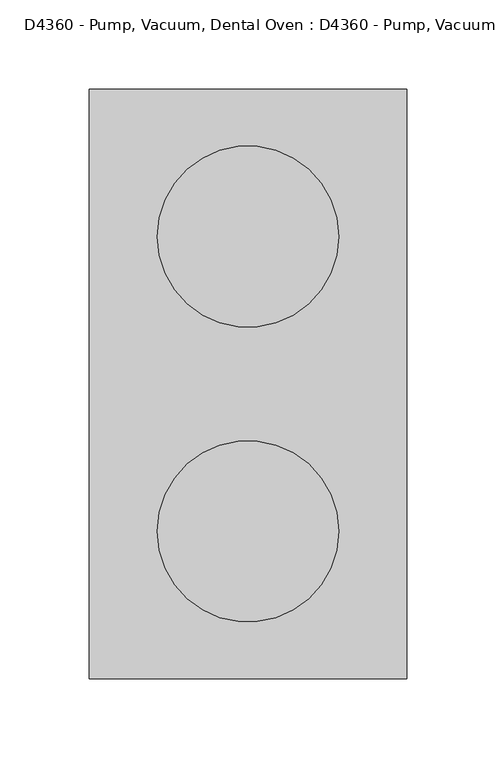
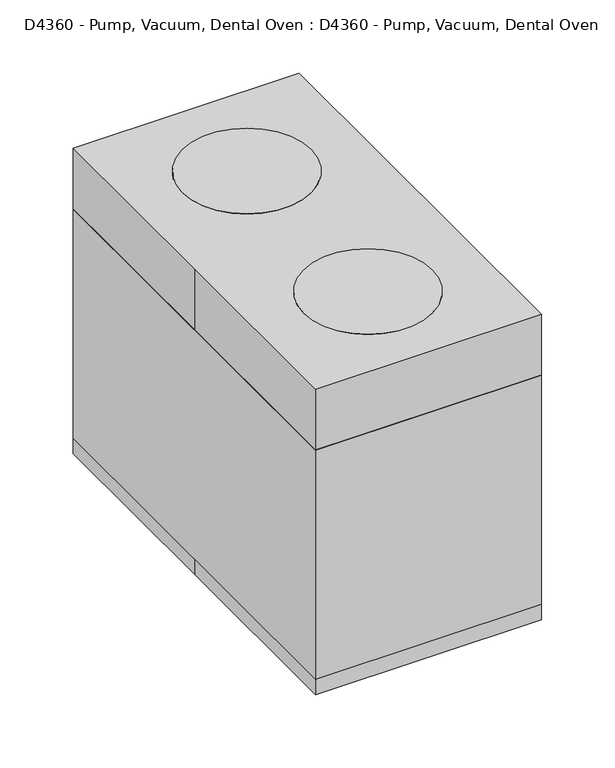
"""IFC4 building model written with IfcOpenShell, lengths in millimetres: proxy geometry, D4360 - Pump, Vacuum, Dental Oven : D4360 - Pump, Vacuum, Dental Oven."""

import ifcopenshell
import ifcopenshell.guid

model = None  # the IFC model being written
_history = None  # IfcOwnerHistory: only IFC2X3 demands one
_inside = {}  # id of a spatial element -> (the spatial element, [elements in it])
_under = {}  # id of a project, library or spatial element -> (it, [spatial elements below it])
_declared = {}  # id of a project -> (the project, [libraries it declares])
_typed = {}  # id of a type object -> (the type object, [elements of that type])
_made_of = {}  # id of a material, layer set ... -> (it, [elements and type objects made of it])


def new_model(schema):
    """Start an empty IFC model of exactly this schema.

    Asked for "IFC4X3", IfcOpenShell would pick the latest addendum, in which some entities
    have other attributes; the version numbers below select the first issue.
    IFC2X3 requires an IfcOwnerHistory on every rooted entity: one is made here for all.
    """
    global model, _history
    if schema == "IFC4X3":
        model = ifcopenshell.file(schema_version=(4, 3, 0, 0))
    else:
        model = ifcopenshell.file(schema=schema)
    _inside.clear()
    _under.clear()
    _declared.clear()
    _typed.clear()
    _made_of.clear()
    _history = None
    if model.schema == "IFC2X3":
        org = make("IfcOrganization", Name="unknown")
        user = make(
            "IfcPersonAndOrganization",
            ThePerson=make("IfcPerson", FamilyName="unknown"),
            TheOrganization=org,
        )
        app = make(
            "IfcApplication",
            ApplicationDeveloper=org,
            Version="unknown",
            ApplicationFullName="unknown",
            ApplicationIdentifier="unknown",
        )
        _history = make(
            "IfcOwnerHistory",
            OwningUser=user,
            OwningApplication=app,
            ChangeAction="ADDED",
            CreationDate=0,
        )
    return model


def make(cls, **values):
    """One entity of the class cls with the attributes given. An attribute that is None is left unset."""
    return model.create_entity(
        cls, **{name: value for name, value in values.items() if value is not None}
    )


def rooted(cls, **values):
    """An entity with a GlobalId (a new one), such as an element, a storey or a relation."""
    return make(cls, GlobalId=ifcopenshell.guid.new(), OwnerHistory=_history, **values)


def si_unit(unit_type, name, prefix=None):
    """IfcSIUnit, for example si_unit("LENGTHUNIT", "METRE", prefix="MILLI")."""
    return make("IfcSIUnit", UnitType=unit_type, Prefix=prefix, Name=name)


def assignment(units):
    """IfcUnitAssignment: the units of a project."""
    return None if units is None else make("IfcUnitAssignment", Units=units)


def point(xyz):
    """IfcCartesianPoint."""
    return None if xyz is None else make("IfcCartesianPoint", Coordinates=xyz)


def direction(xyz):
    """IfcDirection."""
    return None if xyz is None else make("IfcDirection", DirectionRatios=xyz)


def frame(location, z_axis=None, x_axis=None):
    """IfcAxis2Placement3D, a coordinate frame: its origin and axes. An axis left out is left unset."""
    return make(
        "IfcAxis2Placement3D",
        Location=point(location),
        Axis=direction(z_axis),
        RefDirection=direction(x_axis),
    )


def frame_2d(location, x_axis=None):
    """IfcAxis2Placement2D, a coordinate frame in the plane: its origin and x axis."""
    return make(
        "IfcAxis2Placement2D", Location=point(location), RefDirection=direction(x_axis)
    )


def origin():
    """The frame at (0, 0, 0) with its axes left unset."""
    return frame((0.0, 0.0, 0.0))


def origin_with_axes():
    """The frame at (0, 0, 0) with the z axis (0, 0, 1) and the x axis (1, 0, 0) written out."""
    return frame((0.0, 0.0, 0.0), z_axis=(0.0, 0.0, 1.0), x_axis=(1.0, 0.0, 0.0))


def place(relative_to, where):
    """IfcLocalPlacement: puts the frame where relative to a parent placement (None: the world)."""
    return make(
        "IfcLocalPlacement", PlacementRelTo=relative_to, RelativePlacement=where
    )


def context(
    kind, dimensions, precision=None, world=None, true_north=None, identifier=None
):
    """IfcGeometricRepresentationContext, for example the 3D "Model" context."""
    return make(
        "IfcGeometricRepresentationContext",
        ContextIdentifier=identifier,
        ContextType=kind,
        CoordinateSpaceDimension=dimensions,
        Precision=precision,
        WorldCoordinateSystem=world,
        TrueNorth=true_north,
    )


def project(units=None, contexts=None):
    """IfcProject with its units and contexts."""
    return rooted(
        "IfcProject",
        Name="project",
        RepresentationContexts=contexts,
        UnitsInContext=assignment(units),
    )


def spatial(cls, under=None, at=None, **own):
    """A site, building, storey or space (cls), placed at a placement, below another one or the project."""
    s = rooted(cls, ObjectPlacement=at, **own)
    if under is not None:
        _under.setdefault(under.id(), (under, []))[1].append(s)
    return s


def polyline(points):
    """IfcPolyline through the points."""
    return make("IfcPolyline", Points=[point(p) for p in points])


def circle_curve(where, radius):
    """IfcCircle in the frame where."""
    return make("IfcCircle", Position=where, Radius=radius)


def trimmed(basis, trim1, trim2, sense, master):
    """IfcTrimmedCurve: the piece of a basis curve between two trims."""
    return make(
        "IfcTrimmedCurve",
        BasisCurve=basis,
        Trim1=trim1,
        Trim2=trim2,
        SenseAgreement=sense,
        MasterRepresentation=master,
    )


def segment(curve, same_sense, transition):
    """IfcCompositeCurveSegment."""
    return make(
        "IfcCompositeCurveSegment",
        Transition=transition,
        SameSense=same_sense,
        ParentCurve=curve,
    )


def composite_curve(segments, self_intersect=None):
    """IfcCompositeCurve: segments joined end to end."""
    return make("IfcCompositeCurve", Segments=segments, SelfIntersect=self_intersect)


def outline(outer, holes=None, kind="AREA"):
    """IfcArbitraryClosedProfileDef: a profile drawn as a closed curve; with holes, ...WithVoids."""
    if holes is None:
        return make("IfcArbitraryClosedProfileDef", ProfileType=kind, OuterCurve=outer)
    return make(
        "IfcArbitraryProfileDefWithVoids",
        ProfileType=kind,
        OuterCurve=outer,
        InnerCurves=holes,
    )


def extrude(swept, where, along, depth):
    """IfcExtrudedAreaSolid: the profile swept, set in the frame where, extruded along a direction by depth."""
    return make(
        "IfcExtrudedAreaSolid",
        SweptArea=swept,
        Position=where,
        ExtrudedDirection=direction(along),
        Depth=depth,
    )


def shape(context_of_items, identifier, shape_type, items):
    """IfcShapeRepresentation: the items that make up one representation, for example the "Body"."""
    return make(
        "IfcShapeRepresentation",
        ContextOfItems=context_of_items,
        RepresentationIdentifier=identifier,
        RepresentationType=shape_type,
        Items=items,
    )


def source(mapping_origin, context_of_items, identifier, shape_type, items):
    """IfcRepresentationMap: a shape defined once, which mapped items show again and again."""
    return make(
        "IfcRepresentationMap",
        MappingOrigin=mapping_origin,
        MappedRepresentation=shape(context_of_items, identifier, shape_type, items),
    )


def transform(
    local_origin,
    x_axis=None,
    y_axis=None,
    z_axis=None,
    scale=None,
    scale2=None,
    scale3=None,
    uniform=True,
):
    """IfcCartesianTransformationOperator3D, or its non-uniform kind. x_axis, y_axis, z_axis: its Axis1, 2, 3."""
    if uniform:
        return make(
            "IfcCartesianTransformationOperator3D",
            Axis1=direction(x_axis),
            Axis2=direction(y_axis),
            LocalOrigin=point(local_origin),
            Scale=scale,
            Axis3=direction(z_axis),
        )
    return make(
        "IfcCartesianTransformationOperator3DnonUniform",
        Axis1=direction(x_axis),
        Axis2=direction(y_axis),
        LocalOrigin=point(local_origin),
        Scale=scale,
        Axis3=direction(z_axis),
        Scale2=scale2,
        Scale3=scale3,
    )


def mapped(mapping_source, mapping_target):
    """IfcMappedItem: shows the shape of a source again, moved by a transform."""
    return make(
        "IfcMappedItem", MappingSource=mapping_source, MappingTarget=mapping_target
    )


def made_of(thing, what):
    """Note that an element or type object is made of a material, layer set ...; save() writes the relation."""
    if what is not None:
        _made_of.setdefault(what.id(), (what, []))[1].append(thing)
    return thing


def element(
    cls,
    number,
    at=None,
    inside=None,
    cuts=None,
    type_object=None,
    material=None,
    context=None,
    identifier="Body",
    shape_type=None,
    held_by="IfcProductDefinitionShape",
    body=None,
    shapes=None,
    **own,
):
    """One element of the class cls, such as IfcWall. Its Tag is "e" and its number.

    at: its placement. inside: the storey or other place that contains it. cuts: it is an
    opening in that element (IfcRelVoidsElement). A single representation is given by context,
    identifier, shape_type and body (its items); several are given by shapes. held_by: the class
    of the entity that holds the representations. save() writes the other relations.
    """
    e = rooted(cls, Tag="e%d" % number, ObjectPlacement=at, **own)
    if body is not None:
        shapes = [shape(context, identifier, shape_type, body)]
    if shapes is not None:
        e.Representation = make(held_by, Representations=shapes)
    if inside is not None:
        _inside.setdefault(inside.id(), (inside, []))[1].append(e)
    if cuts is not None:
        rooted(
            "IfcRelVoidsElement", RelatingBuildingElement=cuts, RelatedOpeningElement=e
        )
    if type_object is not None:
        _typed.setdefault(type_object.id(), (type_object, []))[1].append(e)
    return made_of(e, material)


def aggregate(whole, parts):
    """IfcRelAggregates: a whole, such as a stair, and the parts it consists of."""
    return rooted("IfcRelAggregates", RelatingObject=whole, RelatedObjects=parts)


def save(model, path):
    """Write the relations noted so far, then the file.

    IfcRelAggregates (storeys below a building ...), IfcRelContainedInSpatialStructure (elements
    in a storey), IfcRelDefinesByType, IfcRelAssociatesMaterial and IfcRelDeclares: one each for
    every whole, place, type object, material and project.
    """
    for whole, parts in _under.values():
        aggregate(whole, parts)
    for where, things in _inside.values():
        rooted(
            "IfcRelContainedInSpatialStructure",
            RelatedElements=things,
            RelatingStructure=where,
        )
    for kind, things in _typed.values():
        rooted("IfcRelDefinesByType", RelatedObjects=things, RelatingType=kind)
    for what, things in _made_of.values():
        rooted("IfcRelAssociatesMaterial", RelatedObjects=things, RelatingMaterial=what)
    for by, libraries in _declared.values():
        rooted("IfcRelDeclares", RelatingContext=by, RelatedDefinitions=libraries)
    model.write(path)


def d4360_pump_vacuum_dental_oven_d4360_pump_vacuum_dental_oven_7488b230(model_context):
    return source(origin(), model_context, "Body", "SweptSolid", [
        extrude(outline(composite_curve([segment(trimmed(circle_curve(frame_2d((0.0, -82.55)), 50.8), [point((-50.8, -82.55))], [point((50.8, -82.55))], False, "CARTESIAN"), True, "CONTINUOUS"), segment(trimmed(circle_curve(frame_2d((0.0, -82.55)), 50.8), [point((50.8, -82.55))], [point((-50.8, -82.55))], False, "CARTESIAN"), True, "CONTINUOUS")], self_intersect=False)), frame((0.0, 0.0, 203.2), z_axis=(0.0, 0.0, 1.0), x_axis=(1.0, 0.0, 0.0)), (0.0, 0.0, 1.0), 50.8),
        extrude(outline(polyline([(-70.7580755, 112.9852919), (-58.0580755, 112.9852919), (-58.0580755, -115.6147081), (-70.7580755, -115.6147081), (-70.7580755, 112.9852919)])), frame((0.0, 0.0, 203.2), z_axis=(0.0, 0.0, 1.0), x_axis=(1.0, 0.0, 0.0)), (0.0, 0.0, 1.0), 25.4),
        extrude(outline(polyline([(70.7580755, 112.9852919), (70.7580755, -115.6147081), (58.0580755, -115.6147081), (58.0580755, 112.9852919), (70.7580755, 112.9852919)])), frame((0.0, 0.0, 203.2), z_axis=(0.0, 0.0, 1.0), x_axis=(1.0, 0.0, 0.0)), (0.0, 0.0, 1.0), 25.4),
        extrude(outline(composite_curve([segment(trimmed(circle_curve(frame_2d((0.0, 82.55)), 50.8), [point((-50.8, 82.55))], [point((50.8, 82.55))], False, "CARTESIAN"), True, "CONTINUOUS"), segment(trimmed(circle_curve(frame_2d((0.0, 82.55)), 50.8), [point((50.8, 82.55))], [point((-50.8, 82.55))], False, "CARTESIAN"), True, "CONTINUOUS")], self_intersect=False)), frame((0.0, 0.0, 203.2), z_axis=(0.0, 0.0, 1.0), x_axis=(1.0, 0.0, 0.0)), (0.0, 0.0, 1.0), 50.8),
        extrude(outline(polyline([(88.9, 165.1), (88.9, -165.1), (-88.9, -165.1), (-88.9, 165.1), (88.9, 165.1)])), frame((0.0, 0.0, 12.7), z_axis=(0.0, 0.0, 1.0), x_axis=(1.0, 0.0, 0.0)), (0.0, 0.0, 1.0), 190.5),
        extrude(outline(composite_curve([segment(trimmed(circle_curve(frame_2d((-56.3344194, -133.8412182)), 12.7), [point((-43.6344194, -133.8412182))], [point((-69.0344194, -133.8412182))], False, "CARTESIAN"), True, "CONTINUOUS"), segment(trimmed(circle_curve(frame_2d((-56.3344194, -133.8412182)), 12.7), [point((-69.0344194, -133.8412182))], [point((-43.6344194, -133.8412182))], False, "CARTESIAN"), True, "CONTINUOUS")], self_intersect=False)), origin_with_axes(), (0.0, 0.0, 1.0), 12.7),
        extrude(outline(composite_curve([segment(trimmed(circle_curve(frame_2d((56.3344194, -133.8412182)), 12.7), [point((43.6344194, -133.8412182))], [point((69.0344194, -133.8412182))], False, "CARTESIAN"), True, "CONTINUOUS"), segment(trimmed(circle_curve(frame_2d((56.3344194, -133.8412182)), 12.7), [point((69.0344194, -133.8412182))], [point((43.6344194, -133.8412182))], False, "CARTESIAN"), True, "CONTINUOUS")], self_intersect=False)), origin_with_axes(), (0.0, 0.0, 1.0), 12.7),
        extrude(outline(composite_curve([segment(trimmed(circle_curve(frame_2d((-56.3344194, 133.8412182)), 12.7), [point((-43.6344194, 133.8412182))], [point((-69.0344194, 133.8412182))], False, "CARTESIAN"), True, "CONTINUOUS"), segment(trimmed(circle_curve(frame_2d((-56.3344194, 133.8412182)), 12.7), [point((-69.0344194, 133.8412182))], [point((-43.6344194, 133.8412182))], False, "CARTESIAN"), True, "CONTINUOUS")], self_intersect=False)), origin_with_axes(), (0.0, 0.0, 1.0), 12.7),
        extrude(outline(composite_curve([segment(trimmed(circle_curve(frame_2d((56.3344194, 133.8412182)), 12.7), [point((43.6344194, 133.8412182))], [point((69.0344194, 133.8412182))], False, "CARTESIAN"), True, "CONTINUOUS"), segment(trimmed(circle_curve(frame_2d((56.3344194, 133.8412182)), 12.7), [point((69.0344194, 133.8412182))], [point((43.6344194, 133.8412182))], False, "CARTESIAN"), True, "CONTINUOUS")], self_intersect=False)), origin_with_axes(), (0.0, 0.0, 1.0), 12.7),
        extrude(outline(polyline([(-88.9, 165.1), (88.9, 165.1), (88.9, -165.1), (-88.9, -165.1), (-88.9, 0.0), (-88.9, 165.1)])), origin_with_axes(), (0.0, 0.0, 1.0), 254.0),
    ])


if __name__ == "__main__":
    model = new_model("IFC4")
    model_context = context("Model", 3, world=origin())
    ifc_project = project(units=[si_unit("LENGTHUNIT", "METRE", prefix="MILLI")], contexts=[model_context])
    site = spatial("IfcSite", under=ifc_project)
    building = spatial("IfcBuilding", under=site)
    placement = place(None, origin())
    d4360_pump_vacuum_dental_oven_d4360_pump_vacuum_dental_oven_shape = d4360_pump_vacuum_dental_oven_d4360_pump_vacuum_dental_oven_7488b230(model_context)
    element("IfcBuildingElementProxy", 1, Name="D4360 - Pump, Vacuum, Dental Oven : D4360 - Pump, Vacuum, Dental Oven", ObjectType="D4360 - Pump, Vacuum, Dental Oven : D4360 - Pump, Vacuum, Dental Oven", at=placement, inside=building, context=model_context, shape_type="MappedRepresentation", body=[
        mapped(d4360_pump_vacuum_dental_oven_d4360_pump_vacuum_dental_oven_shape, transform((0.0, 0.0, 0.0), x_axis=(1.0, 0.0, 0.0), y_axis=(0.0, 1.0, 0.0), z_axis=(0.0, 0.0, 1.0))),
    ])
    save(model, "model.ifc")
